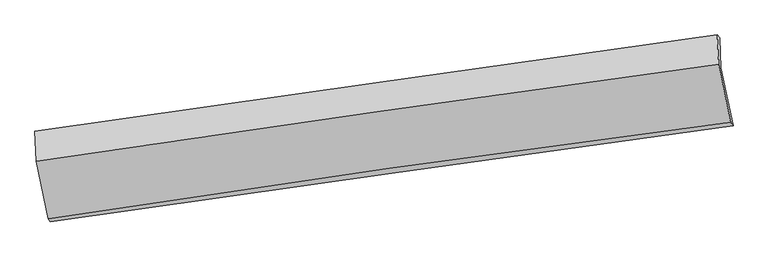
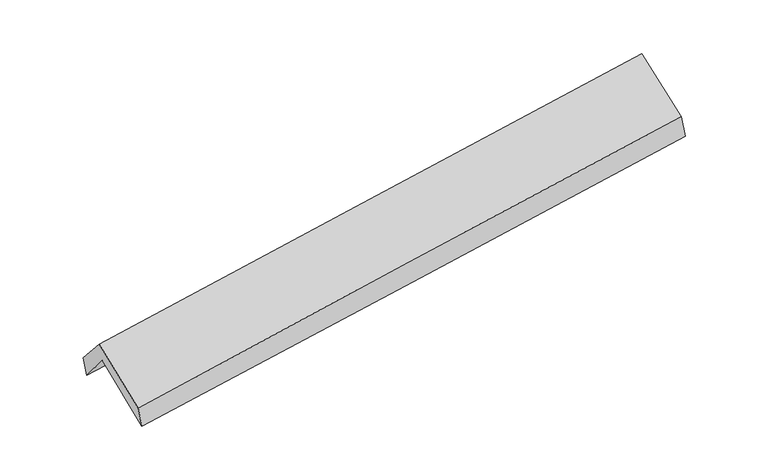
"""IFC4 building model written with IfcOpenShell, lengths in millimetres: proxy geometry."""

from ifc_helpers import new_model, si_unit, frame, origin, place, context, project, spatial, source, transform, mapped, element, save
from ifc_brep_helpers import plane_surface, spline_curve, spline_surface, advanced_brep


def generic_models_09218d75(model_context):
    return source(origin(), model_context, "Body", "AdvancedBrep", [
        advanced_brep(
        [(-2888.8737503, -2506.7024294, 1450.1395478), (-2995.3879999, -2005.8882888, 1882.3919967), (2935.2894638, -1167.4637388, 2367.6903119), (3042.2114218, -1671.7899318, 1945.6573174), (-3004.9285444, -1747.450737, 1571.1440088), (2925.720927, -908.2679232, 2055.5291128), (-3023.7962551, -1721.1658268, 1750.0054877), (2905.4836704, -882.2832736, 2248.9701905), (-3013.014734, -1979.637712, 2046.7127635), (2916.0683629, -1135.7796428, 2539.9685474), (-2907.9829569, -2478.7328603, 1629.0811847), (3021.5213387, -1641.2112297, 2136.8673738)],
        [
            (0, 1),
            (1, 2, spline_curve(3, [(-2995.3879999, -2005.8882888, 1882.3919967), (-2006.181975171, -1863.270339993, 1949.489385044), (-1017.348052011, -1722.09157372, 2023.480351968), (959.544412568, -1442.616814228, 2185.246892124), (1947.602977144, -1304.320730645, 2273.022030053), (2935.2894638, -1167.4637388, 2367.6903119)], [4, 2, 4], [0.0, 9.858661985783401, 19.717013003859382])),
            (2, 3),
            (3, 0, spline_curve(3, [(3042.2114218, -1671.7899318, 1945.6573174), (2053.671033368, -1806.113722096, 1855.309842033), (1065.151536283, -1942.850523008, 1768.843546931), (-911.87685607, -2221.154536876, 1603.670712039), (-1900.38574934, -2362.721901446, 1524.96441732), (-2888.8737503, -2506.7024294, 1450.1395478)], [4, 2, 4], [0.0, 9.85835101807598, 19.717013003859382])),
            (1, 4),
            (4, 5, spline_curve(3, [(-3004.9285444, -1747.450737, 1571.1440088), (-2015.738165193, -1604.40897878, 1637.730984692), (-1026.91439721, -1462.955121011, 1711.390646407), (949.968736714, -1183.227616323, 1872.852793686), (1938.028126154, -1044.953870062, 1960.654833497), (2925.720927, -908.2679232, 2055.5291128)], [4, 2, 4], [0.0, 9.85814676683195, 19.71598258220782])),
            (5, 2),
            (4, 6),
            (6, 7, spline_curve(3, [(-3023.7962551, -1721.1658268, 1750.0054877), (-2035.703872545, -1579.598410828, 1831.559220268), (-1047.543226647, -1438.906734568, 1913.917146952), (928.883419351, -1159.279272389, 2080.2387651), (1917.149415535, -1020.343430584, 2164.202406254), (2905.4836704, -882.2832736, 2248.9701905)], [4, 2, 4], [0.0, 9.857811761986893, 19.715312583084625])),
            (7, 5),
            (6, 8),
            (8, 9, spline_curve(3, [(-3013.014734, -1979.637712, 2046.7127635), (-2025.070107297, -1834.485800887, 2124.15218046), (-1036.999741299, -1691.587265967, 2203.977223535), (939.361298837, -1410.301384945, 2368.395968728), (1927.651965285, -1271.913896809, 2452.989520152), (2916.0683629, -1135.7796428, 2539.9685474)], [4, 2, 4], [0.0, 9.857623725780073, 19.714936516602133])),
            (9, 7),
            (8, 10),
            (10, 11, spline_curve(3, [(-2907.9829569, -2478.7328603, 1629.0811847), (-1921.416388904, -2325.100509031, 1710.303451734), (-933.999940263, -2178.489873977, 1793.230795118), (1042.501545386, -1899.316440019, 1962.492965757), (2031.586528552, -1766.753197981, 2048.827685213), (3021.5213387, -1641.2112297, 2136.8673738)], [4, 2, 4], [0.0, 9.858346964758022, 19.7163829717452])),
            (11, 9),
            (10, 0),
            (3, 11),
        ],
        [
            spline_surface(3, 3, [[(-2888.8737503, -2506.7024294, 1450.1395478), (-1900.385749477, -2362.721901479, 1524.964417369), (-911.876855908, -2221.154536756, 1603.670712124), (1065.151536121, -1942.850523127, 1768.843546846), (2053.671033231, -1806.113721972, 1855.30984196), (3042.2114218, -1671.7899318, 1945.6573174)], [(-2924.378500156, -2339.764382534, 1594.223697431), (-1935.651158005, -2196.238047599, 1666.47273993), (-947.03392125, -2054.800215698, 1743.607258774), (1029.949161578, -1776.10595354, 1907.644661899), (2018.315014567, -1638.849391515, 1994.547237988), (3006.570769136, -1503.681200788, 2086.334982222)], [(-2959.883250044, -2172.826335666, 1738.307847069), (-1970.916566564, -2029.754193718, 1807.981062498), (-982.190986594, -1888.44589464, 1883.54380543), (994.746787034, -1609.361383953, 2046.445776958), (1982.958995896, -1471.585061092, 2133.78463405), (2970.930116464, -1335.572469812, 2227.012647078)], [(-2995.3879999, -2005.8882888, 1882.3919967), (-2006.181975092, -1863.270339838, 1949.489385059), (-1017.348051936, -1722.091573582, 2023.48035208), (959.544412492, -1442.616814366, 2185.246892012), (1947.602977232, -1304.320730634, 2273.022030078), (2935.2894638, -1167.4637388, 2367.6903119)]], [4, 4], [4, 2, 4], [0.0, 2.165354427721772], [0.0, 9.858661985783401, 19.717013003859382]),
            spline_surface(3, 3, [[(-2995.3879999, -2005.8882888, 1882.3919967), (-2006.181975092, -1863.270339838, 1949.489385059), (-1017.348051936, -1722.091573582, 2023.48035208), (959.544412492, -1442.616814366, 2185.246892012), (1947.602977232, -1304.320730634, 2273.022030078), (2935.2894638, -1167.4637388, 2367.6903119)], [(-2998.568181422, -1919.742438195, 1778.642667405), (-2009.36737176, -1776.983219534, 1845.5699183), (-1020.536833723, -1635.712755997, 1919.450450153), (956.35252057, -1356.153748378, 2081.115525939), (1944.41136018, -1217.865110399, 2168.899631261), (2932.099951528, -1081.065133608, 2263.636578867)], [(-3001.748362878, -1833.596587605, 1674.893338095), (-2012.552768363, -1690.696099245, 1741.650451528), (-1023.725615473, -1549.333938464, 1815.420548226), (953.160628686, -1269.690682444, 1976.984159866), (1941.219743142, -1131.409490141, 2064.777232443), (2928.910439272, -994.666528392, 2159.582845833)], [(-3004.9285444, -1747.450737, 1571.1440088), (-2015.738165032, -1604.408978942, 1637.73098477), (-1026.91439726, -1462.955120878, 1711.3906463), (949.968736764, -1183.227616456, 1872.852793793), (1938.028126089, -1044.953869907, 1960.654833625), (2925.720927, -908.2679232, 2055.5291128)]], [4, 4], [4, 2, 4], [0.0, 1.3318909580627265], [0.0, 9.85814676683195, 19.71598258220782]),
            spline_surface(3, 3, [[(-3004.9285444, -1747.450737, 1571.1440088), (-2015.738165032, -1604.408978942, 1637.73098477), (-1026.91439726, -1462.955120878, 1711.3906463), (949.968736764, -1183.227616456, 1872.852793793), (1938.028126089, -1044.953869907, 1960.654833625), (2925.720927, -908.2679232, 2055.5291128)], [(-3011.21778129, -1738.689100275, 1630.764501772), (-2022.393400807, -1596.138789592, 1702.340396588), (-1033.790673734, -1454.938992176, 1778.899479829), (942.940297667, -1175.244835068, 1941.981450927), (1931.068555921, -1036.750390161, 2028.504024467), (2918.975174804, -899.606373345, 2120.009472029)], [(-3017.50701821, -1729.927463525, 1690.384994728), (-2029.048636612, -1587.868600216, 1766.94980839), (-1040.666950251, -1446.92286342, 1846.408313343), (935.911858525, -1167.262053627, 2011.110108045), (1924.108985741, -1028.546910381, 2096.353215323), (2912.229422596, -890.944823455, 2184.489831271)], [(-3023.7962551, -1721.1658268, 1750.0054877), (-2035.703872387, -1579.598410866, 1831.559220209), (-1047.543226725, -1438.906734718, 1913.917146872), (928.883419428, -1159.279272239, 2080.238765179), (1917.149415573, -1020.343430636, 2164.202406165), (2905.4836704, -882.2832736, 2248.9701905)]], [4, 4], [4, 2, 4], [0.0, 0.6804715519950538], [0.0, 9.857811761986893, 19.715312583084625]),
            spline_surface(3, 3, [[(-3023.7962551, -1721.1658268, 1750.0054877), (-2035.703872387, -1579.598410866, 1831.559220209), (-1047.543226725, -1438.906734718, 1913.917146872), (928.883419428, -1159.279272239, 2080.238765179), (1917.149415573, -1020.343430636, 2164.202406165), (2905.4836704, -882.2832736, 2248.9701905)], [(-3020.202414737, -1807.323121864, 1848.907912968), (-2032.159284036, -1664.560874178, 1929.090206959), (-1044.028731625, -1523.133578439, 2010.603839096), (932.376045889, -1242.953309818, 2176.291166339), (1920.65026544, -1104.200252695, 2260.464777532), (2909.011901223, -966.782063331, 2345.969642811)], [(-3016.608574363, -1893.480416936, 1947.810338232), (-2028.614695674, -1749.523337498, 2026.621193704), (-1040.51423645, -1607.360422187, 2107.29053135), (935.868672427, -1326.627347425, 2272.343567529), (1924.151115337, -1188.05707476, 2356.727148864), (2912.540132077, -1051.280853069, 2442.969095089)], [(-3013.014734, -1979.637712, 2046.7127635), (-2025.070107323, -1834.48580081, 2124.152180454), (-1036.99974135, -1691.587265908, 2203.977223574), (939.361298888, -1410.301385004, 2368.395968688), (1927.651965203, -1271.91389682, 2452.989520231), (2916.0683629, -1135.7796428, 2539.9685474)]], [4, 4], [4, 2, 4], [0.0, 1.2584208709413267], [0.0, 9.857623725780073, 19.714936516602133]),
            spline_surface(3, 3, [[(-3013.014734, -1979.637712, 2046.7127635), (-2025.070107323, -1834.48580081, 2124.152180454), (-1036.99974135, -1691.587265908, 2203.977223574), (939.361298888, -1410.301385004, 2368.395968688), (1927.651965203, -1271.91389682, 2452.989520231), (2916.0683629, -1135.7796428, 2539.9685474)], [(-2978.004141633, -2146.002761427, 1907.502237217), (-1990.518867795, -1998.02403683, 1986.20260416), (-1002.666474287, -1853.88813525, 2067.06174743), (973.741381031, -1573.306403346, 2233.094967701), (1962.296819665, -1436.86033057, 2318.268908562), (2951.219354826, -1304.256838421, 2405.601489521)], [(-2942.993549267, -2312.367810873, 1768.291710983), (-1955.967628269, -2161.562272867, 1848.253027916), (-968.333207241, -2016.189004608, 1930.146271289), (1008.121463158, -1736.311421704, 2097.793966717), (1996.941674147, -1601.806764359, 2183.548296931), (2986.370346774, -1472.734034079, 2271.234431679)], [(-2907.9829569, -2478.7328603, 1629.0811847), (-1921.416388741, -2325.100508887, 1710.303451622), (-933.999940178, -2178.48987395, 1793.230795144), (1042.501545301, -1899.316440046, 1962.49296573), (2031.586528608, -1766.75319811, 2048.827685263), (3021.5213387, -1641.2112297, 2136.8673738)]], [4, 4], [4, 2, 4], [0.0, 2.1146950077586077], [0.0, 9.858346964758022, 19.7163829717452]),
            spline_surface(3, 3, [[(-2907.9829569, -2478.7328603, 1629.0811847), (-1921.416388741, -2325.100508887, 1710.303451622), (-933.999940178, -2178.48987395, 1793.230795144), (1042.501545301, -1899.316440046, 1962.49296573), (2031.586528608, -1766.75319811, 2048.827685263), (3021.5213387, -1641.2112297, 2136.8673738)], [(-2901.613221363, -2488.056050005, 1569.433972407), (-1914.406175649, -2337.640973089, 1648.523773545), (-926.625578737, -2192.711428233, 1730.044100812), (1050.051542258, -1913.827801087, 1897.943159443), (2038.948030165, -1779.873372738, 1984.321737512), (3028.418033083, -1651.404130407, 2073.13068835)], [(-2895.243485837, -2497.379239695, 1509.786760093), (-1907.395962569, -2350.181437277, 1586.744095446), (-919.251217348, -2206.932982473, 1666.857406456), (1057.601539164, -1928.339162086, 1833.393353133), (2046.309531674, -1792.993547344, 1919.815789711), (3035.314727417, -1661.597031093, 2009.39400285)], [(-2888.8737503, -2506.7024294, 1450.1395478), (-1900.385749477, -2362.721901479, 1524.964417369), (-911.876855908, -2221.154536756, 1603.670712124), (1065.151536121, -1942.850523127, 1768.843546846), (2053.671033231, -1806.113721972, 1855.30984196), (3042.2114218, -1671.7899318, 1945.6573174)]], [4, 4], [4, 2, 4], [0.0, 0.6485040235684817], [0.0, 9.85911939856209, 19.717927814988776]),
            plane_surface(frame((2957.7158641, -1234.4659566, 2215.7804756), z_axis=(0.9867569568518333, 0.13836893568143377, 0.08464482112271593), x_axis=(0.16098809628308497, -0.7716090358668689, -0.6153879496900709))),
            plane_surface(frame((-2972.3307068, -2073.2629757, 1721.5791649), z_axis=(-0.98694344616957, -0.13748604937810954, -0.08390602057858108), x_axis=(-0.10492665840373741, 0.15357798383791904, 0.9825498456752743))),
        ],
        [
            (0, [[1, 2, 3, 4]]),
            (1, [[5, 6, 7, -2]]),
            (2, [[8, 9, 10, -6]]),
            (3, [[11, 12, 13, -9]]),
            (4, [[14, 15, 16, -12]]),
            (5, [[17, -4, 18, -15]]),
            (6, [[-16, -18, -3, -7, -10, -13]]),
            (7, [[-17, -14, -11, -8, -5, -1]]),
        ],
    ),
    ])


if __name__ == "__main__":
    model = new_model("IFC4")
    model_context = context("Model", 3, world=origin())
    ifc_project = project(units=[si_unit("LENGTHUNIT", "METRE", prefix="MILLI")], contexts=[model_context])
    site = spatial("IfcSite", under=ifc_project)
    building = spatial("IfcBuilding", under=site)
    placement = place(None, origin())
    generic_models_shape = generic_models_09218d75(model_context)
    element("IfcBuildingElementProxy", 1, Name="Generic Models", at=placement, inside=building, context=model_context, shape_type="MappedRepresentation", body=[
        mapped(generic_models_shape, transform((0.0, 0.0, 0.0), x_axis=(1.0, 0.0, 0.0), y_axis=(0.0, 1.0, 0.0), z_axis=(0.0, 0.0, 1.0))),
    ])
    save(model, "model.ifc")
